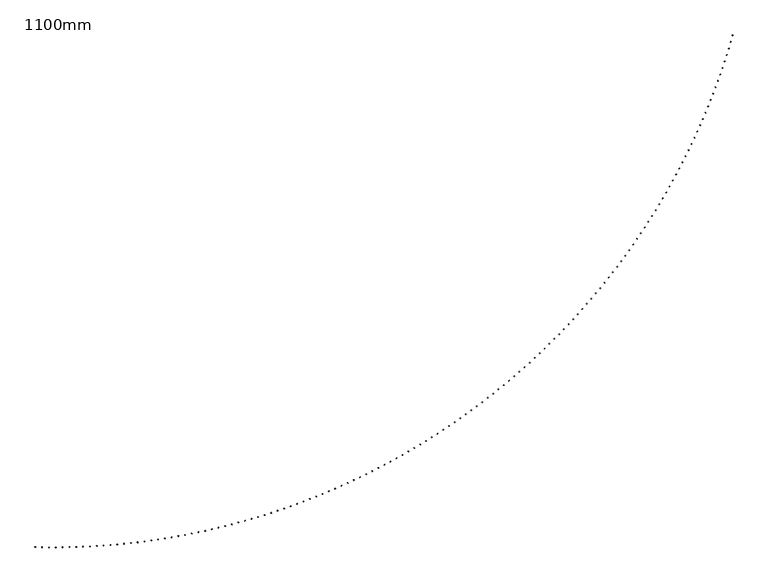
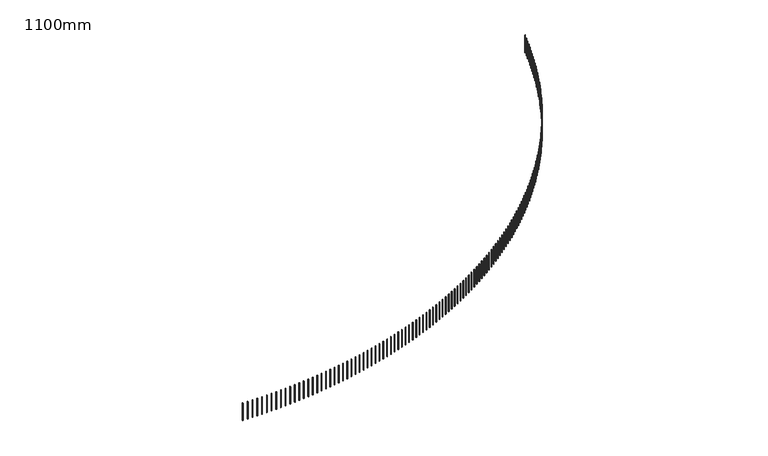
"""IFC4 building model written with IfcOpenShell, lengths in millimetres: railing geometry, 1100mm."""

from ifc_helpers import new_model, si_unit, frame, origin, place, context, project, spatial, polyline, outline, extrude, source, transform, mapped, element, save


def railing_1100mm_04dcf451(model_context):
    return source(origin(), model_context, "Body", "SweptSolid", [
        extrude(outline(polyline([(-9836.1976261, -82547.4690723), (-9836.8242033, -82572.4612191), (-9861.8163501, -82571.8346419), (-9861.1897729, -82546.8424951), (-9836.1976261, -82547.4690723)])), frame((0.0, 0.0, 31000.0), z_axis=(0.0, 0.0, 1.0), x_axis=(1.0, 0.0, 0.0)), (0.0, 0.0, 1.0), 1050.0),
        extrude(outline(polyline([(-9561.373458, -82552.9075616), (-9561.7581259, -82577.9046021), (-9586.7551663, -82577.5199342), (-9586.3704985, -82552.5228938), (-9561.373458, -82552.9075616)])), frame((0.0, 0.0, 31000.0), z_axis=(0.0, 0.0, 1.0), x_axis=(1.0, 0.0, 0.0)), (0.0, 0.0, 1.0), 1050.0),
        extrude(outline(polyline([(-9286.5095264, -82555.6859823), (-9286.6522489, -82580.6855749), (-9311.6518415, -82580.5428524), (-9311.509119, -82555.5432598), (-9286.5095264, -82555.6859823)])), frame((0.0, 0.0, 31000.0), z_axis=(0.0, 0.0, 1.0), x_axis=(1.0, 0.0, 0.0)), (0.0, 0.0, 1.0), 1050.0),
        extrude(outline(polyline([(-9011.6315779, -82555.8040741), (-9011.5323416, -82580.8038771), (-9036.5321447, -82580.9031133), (-9036.6313809, -82555.9033103), (-9011.6315779, -82555.8040741)])), frame((0.0, 0.0, 31000.0), z_axis=(0.0, 0.0, 1.0), x_axis=(1.0, 0.0, 0.0)), (0.0, 0.0, 1.0), 1050.0),
        extrude(outline(polyline([(-8736.7653604, -82553.2618258), (-8736.4241747, -82578.2594975), (-8761.4218465, -82578.6006832), (-8761.7630321, -82553.6030114), (-8736.7653604, -82553.2618258)])), frame((0.0, 0.0, 31000.0), z_axis=(0.0, 0.0, 1.0), x_axis=(1.0, 0.0, 0.0)), (0.0, 0.0, 1.0), 1050.0),
        extrude(outline(polyline([(-8461.9366208, -82548.0594757), (-8461.3535177, -82573.0526745), (-8486.3467166, -82573.6357777), (-8486.9298197, -82548.6425788), (-8461.9366208, -82548.0594757)])), frame((0.0, 0.0, 31000.0), z_axis=(0.0, 0.0, 1.0), x_axis=(1.0, 0.0, 0.0)), (0.0, 0.0, 1.0), 1050.0),
        extrude(outline(polyline([(-8187.1711025, -82540.197511), (-8186.3461366, -82565.1838959), (-8211.3325215, -82566.0088618), (-8212.1574874, -82541.0224769), (-8187.1711025, -82540.197511)])), frame((0.0, 0.0, 31000.0), z_axis=(0.0, 0.0, 1.0), x_axis=(1.0, 0.0, 0.0)), (0.0, 0.0, 1.0), 1050.0),
        extrude(outline(polyline([(-7912.4945429, -82529.6766681), (-7911.4277914, -82554.6538986), (-7936.4050218, -82555.7206501), (-7937.4717734, -82530.7434196), (-7912.4945429, -82529.6766681)])), frame((0.0, 0.0, 31000.0), z_axis=(0.0, 0.0, 1.0), x_axis=(1.0, 0.0, 0.0)), (0.0, 0.0, 1.0), 1050.0),
        extrude(outline(polyline([(-7637.9326711, -82516.4979327), (-7636.6242339, -82541.463669), (-7661.5899703, -82542.7721062), (-7662.8984074, -82517.8063698), (-7637.9326711, -82516.4979327)])), frame((0.0, 0.0, 31000.0), z_axis=(0.0, 0.0, 1.0), x_axis=(1.0, 0.0, 0.0)), (0.0, 0.0, 1.0), 1050.0),
        extrude(outline(polyline([(-7363.5112053, -82500.662539), (-7361.9612051, -82525.6144427), (-7386.9131088, -82527.164443), (-7388.4631091, -82502.2125392), (-7363.5112053, -82500.662539)])), frame((0.0, 0.0, 31000.0), z_axis=(0.0, 0.0, 1.0), x_axis=(1.0, 0.0, 0.0)), (0.0, 0.0, 1.0), 1050.0),
        extrude(outline(polyline([(-7089.255851, -82482.1719705), (-7087.4644328, -82507.1077043), (-7112.4001666, -82508.8991224), (-7114.1915848, -82483.9633886), (-7089.255851, -82482.1719705)])), frame((0.0, 0.0, 31000.0), z_axis=(0.0, 0.0, 1.0), x_axis=(1.0, 0.0, 0.0)), (0.0, 0.0, 1.0), 1050.0),
        extrude(outline(polyline([(-6815.1922975, -82461.0279591), (-6813.1596293, -82485.9451873), (-6838.0768575, -82487.9778555), (-6840.1095257, -82463.0606273), (-6815.1922975, -82461.0279591)])), frame((0.0, 0.0, 31000.0), z_axis=(0.0, 0.0, 1.0), x_axis=(1.0, 0.0, 0.0)), (0.0, 0.0, 1.0), 1050.0),
        extrude(outline(polyline([(-6541.3462167, -82437.2324855), (-6539.0724888, -82462.128874), (-6563.9688773, -82464.4026019), (-6566.2426052, -82439.5062134), (-6541.3462167, -82437.2324855)])), frame((0.0, 0.0, 31000.0), z_axis=(0.0, 0.0, 1.0), x_axis=(1.0, 0.0, 0.0)), (0.0, 0.0, 1.0), 1050.0),
        extrude(outline(polyline([(-6267.7432598, -82410.7877785), (-6265.2286852, -82435.6609953), (-6290.101902, -82438.1755699), (-6292.6164767, -82413.3023531), (-6267.7432598, -82410.7877785)])), frame((0.0, 0.0, 31000.0), z_axis=(0.0, 0.0, 1.0), x_axis=(1.0, 0.0, 0.0)), (0.0, 0.0, 1.0), 1050.0),
        extrude(outline(polyline([(-5994.4090554, -82381.6963152), (-5991.6538696, -82406.5440305), (-6016.5015849, -82409.2992162), (-6019.2567706, -82384.451501), (-5994.4090554, -82381.6963152)])), frame((0.0, 0.0, 31000.0), z_axis=(0.0, 0.0, 1.0), x_axis=(1.0, 0.0, 0.0)), (0.0, 0.0, 1.0), 1050.0),
        extrude(outline(polyline([(-5721.3692068, -82349.9608208), (-5718.3736679, -82374.7807069), (-5743.1935541, -82377.7762457), (-5746.1890929, -82352.9563596), (-5721.3692068, -82349.9608208)])), frame((0.0, 0.0, 31000.0), z_axis=(0.0, 0.0, 1.0), x_axis=(1.0, 0.0, 0.0)), (0.0, 0.0, 1.0), 1050.0),
        extrude(outline(polyline([(-5448.6492898, -82315.5842677), (-5445.4136784, -82340.3739998), (-5470.2034106, -82343.6096112), (-5473.4390219, -82318.8198791), (-5448.6492898, -82315.5842677)])), frame((0.0, 0.0, 31000.0), z_axis=(0.0, 0.0, 1.0), x_axis=(1.0, 0.0, 0.0)), (0.0, 0.0, 1.0), 1050.0),
        extrude(outline(polyline([(-5176.2748502, -82278.5698762), (-5172.7994694, -82303.3271322), (-5197.5567255, -82306.802513), (-5201.0321063, -82282.0452569), (-5176.2748502, -82278.5698762)])), frame((0.0, 0.0, 31000.0), z_axis=(0.0, 0.0, 1.0), x_axis=(1.0, 0.0, 0.0)), (0.0, 0.0, 1.0), 1050.0),
        extrude(outline(polyline([(-4904.2714014, -82238.9211133), (-4900.5565768, -82263.6435743), (-4925.2790378, -82267.3583989), (-4928.9938624, -82242.6359379), (-4904.2714014, -82238.9211133)])), frame((0.0, 0.0, 31000.0), z_axis=(0.0, 0.0, 1.0), x_axis=(1.0, 0.0, 0.0)), (0.0, 0.0, 1.0), 1050.0),
        extrude(outline(polyline([(-4632.6644222, -82196.641693), (-4628.7105017, -82221.3270431), (-4653.3958518, -82225.2809637), (-4657.3497724, -82200.5956135), (-4632.6644222, -82196.641693)])), frame((0.0, 0.0, 31000.0), z_axis=(0.0, 0.0, 1.0), x_axis=(1.0, 0.0, 0.0)), (0.0, 0.0, 1.0), 1050.0),
        extrude(outline(polyline([(-4361.4793541, -82151.7355756), (-4357.286708, -82176.3815026), (-4381.9326351, -82180.5741487), (-4386.1252811, -82155.9282217), (-4361.4793541, -82151.7355756)])), frame((0.0, 0.0, 31000.0), z_axis=(0.0, 0.0, 1.0), x_axis=(1.0, 0.0, 0.0)), (0.0, 0.0, 1.0), 1050.0),
        extrude(outline(polyline([(-4090.7415992, -82104.2069675), (-4086.3106203, -82128.8111628), (-4110.9148156, -82133.2421417), (-4115.3457945, -82108.6379464), (-4090.7415992, -82104.2069675)])), frame((0.0, 0.0, 31000.0), z_axis=(0.0, 0.0, 1.0), x_axis=(1.0, 0.0, 0.0)), (0.0, 0.0, 1.0), 1050.0),
        extrude(outline(polyline([(-3820.4765175, -82054.0603207), (-3815.8076209, -82078.6204796), (-3840.3677798, -82083.2893763), (-3845.0366764, -82058.7292174), (-3820.4765175, -82054.0603207)])), frame((0.0, 0.0, 31000.0), z_axis=(0.0, 0.0, 1.0), x_axis=(1.0, 0.0, 0.0)), (0.0, 0.0, 1.0), 1050.0),
        extrude(outline(polyline([(-3550.709425, -82001.3003326), (-3545.803048, -82025.8141545), (-3570.3168699, -82030.7205315), (-3575.2232469, -82006.2067096), (-3550.709425, -82001.3003326)])), frame((0.0, 0.0, 31000.0), z_axis=(0.0, 0.0, 1.0), x_axis=(1.0, 0.0, 0.0)), (0.0, 0.0, 1.0), 1050.0),
        extrude(outline(polyline([(-3281.465591, -81945.931945), (-3276.3221931, -81970.3971337), (-3300.7873818, -81975.5405316), (-3305.9307796, -81951.0753429), (-3281.465591, -81945.931945)])), frame((0.0, 0.0, 31000.0), z_axis=(0.0, 0.0, 1.0), x_axis=(1.0, 0.0, 0.0)), (0.0, 0.0, 1.0), 1050.0),
        extrude(outline(polyline([(-3012.7702354, -81887.9603445), (-3007.3902985, -81912.3746083), (-3031.8045623, -81917.7545453), (-3037.1844993, -81893.3402814), (-3012.7702354, -81887.9603445)])), frame((0.0, 0.0, 31000.0), z_axis=(0.0, 0.0, 1.0), x_axis=(1.0, 0.0, 0.0)), (0.0, 0.0, 1.0), 1050.0),
        extrude(outline(polyline([(-2744.6485274, -81827.3909612), (-2739.0325553, -81851.7520133), (-2763.3936074, -81857.3679854), (-2769.0095794, -81833.0069333), (-2744.6485274, -81827.3909612)])), frame((0.0, 0.0, 31000.0), z_axis=(0.0, 0.0, 1.0), x_axis=(1.0, 0.0, 0.0)), (0.0, 0.0, 1.0), 1050.0),
        extrude(outline(polyline([(-2477.1255818, -81764.2294688), (-2471.2741007, -81788.5350272), (-2495.5796591, -81794.3865083), (-2501.4311402, -81770.0809499), (-2477.1255818, -81764.2294688)])), frame((0.0, 0.0, 31000.0), z_axis=(0.0, 0.0, 1.0), x_axis=(1.0, 0.0, 0.0)), (0.0, 0.0, 1.0), 1050.0),
        extrude(outline(polyline([(-2210.2264577, -81698.4817835), (-2204.1400157, -81722.7295715), (-2228.3878037, -81728.8160136), (-2234.4742457, -81704.5682256), (-2210.2264577, -81698.4817835)])), frame((0.0, 0.0, 31000.0), z_axis=(0.0, 0.0, 1.0), x_axis=(1.0, 0.0, 0.0)), (0.0, 0.0, 1.0), 1050.0),
        extrude(outline(polyline([(-1943.9761558, -81630.1540641), (-1937.6553229, -81654.3418104), (-1961.8430692, -81660.6626433), (-1968.1639021, -81636.474897), (-1943.9761558, -81630.1540641)])), frame((0.0, 0.0, 31000.0), z_axis=(0.0, 0.0, 1.0), x_axis=(1.0, 0.0, 0.0)), (0.0, 0.0, 1.0), 1050.0),
        extrude(outline(polyline([(-1678.3996157, -81559.2527107), (-1671.8449841, -81583.3781497), (-1695.970423, -81589.9327813), (-1702.5250546, -81565.8073424), (-1678.3996157, -81559.2527107)])), frame((0.0, 0.0, 31000.0), z_axis=(0.0, 0.0, 1.0), x_axis=(1.0, 0.0, 0.0)), (0.0, 0.0, 1.0), 1050.0),
        extrude(outline(polyline([(-1413.5217142, -81485.7843648), (-1406.7338978, -81509.8452366), (-1430.7947695, -81516.633053), (-1437.582586, -81492.5721812), (-1413.5217142, -81485.7843648)])), frame((0.0, 0.0, 31000.0), z_axis=(0.0, 0.0, 1.0), x_axis=(1.0, 0.0, 0.0)), (0.0, 0.0, 1.0), 1050.0),
        extrude(outline(polyline([(-1149.3672626, -81409.7559082), (-1142.3468972, -81433.7499589), (-1166.3409479, -81440.7703243), (-1173.3613133, -81416.7762736), (-1149.3672626, -81409.7559082)])), frame((0.0, 0.0, 31000.0), z_axis=(0.0, 0.0, 1.0), x_axis=(1.0, 0.0, 0.0)), (0.0, 0.0, 1.0), 1050.0),
        extrude(outline(polyline([(-885.9610043, -81331.1744625), (-878.7087475, -81355.0994447), (-902.6337297, -81362.3517014), (-909.8859864, -81338.4267192), (-885.9610043, -81331.1744625)])), frame((0.0, 0.0, 31000.0), z_axis=(0.0, 0.0, 1.0), x_axis=(1.0, 0.0, 0.0)), (0.0, 0.0, 1.0), 1050.0),
        extrude(outline(polyline([(-623.3276126, -81250.0473885), (-615.8441439, -81273.901061), (-639.6978165, -81281.3845298), (-647.1812852, -81257.5308572), (-623.3276126, -81250.0473885)])), frame((0.0, 0.0, 31000.0), z_axis=(0.0, 0.0, 1.0), x_axis=(1.0, 0.0, 0.0)), (0.0, 0.0, 1.0), 1050.0),
        extrude(outline(polyline([(-361.4916887, -81166.3822853), (-353.7777089, -81190.1624139), (-377.5578375, -81197.8763937), (-385.2718173, -81174.0962651), (-361.4916887, -81166.3822853)])), frame((0.0, 0.0, 31000.0), z_axis=(0.0, 0.0, 1.0), x_axis=(1.0, 0.0, 0.0)), (0.0, 0.0, 1.0), 1050.0),
        extrude(outline(polyline([(-100.4777588, -81080.18699), (-92.5339905, -81103.8913471), (-116.2383476, -81111.8351154), (-124.1821159, -81088.1307583), (-100.4777588, -81080.18699)])), frame((0.0, 0.0, 31000.0), z_axis=(0.0, 0.0, 1.0), x_axis=(1.0, 0.0, 0.0)), (0.0, 0.0, 1.0), 1050.0),
        extrude(outline(polyline([(159.6897277, -80991.4695764), (167.8625404, -81015.0959416), (144.2361752, -81023.2687543), (136.0633625, -80999.6423891), (159.6897277, -80991.4695764)])), frame((0.0, 0.0, 31000.0), z_axis=(0.0, 0.0, 1.0), x_axis=(1.0, 0.0, 0.0)), (0.0, 0.0, 1.0), 1050.0),
        extrude(outline(polyline([(418.986401, -80900.2383549), (427.3874925, -80923.7845151), (403.8413323, -80932.1856066), (395.4402408, -80908.6394464), (418.986401, -80900.2383549)])), frame((0.0, 0.0, 31000.0), z_axis=(0.0, 0.0, 1.0), x_axis=(1.0, 0.0, 0.0)), (0.0, 0.0, 1.0), 1050.0),
        extrude(outline(polyline([(677.3879724, -80806.501871), (686.0165559, -80829.9656207), (662.5528062, -80838.5942041), (653.9242228, -80815.1304544), (677.3879724, -80806.501871)])), frame((0.0, 0.0, 31000.0), z_axis=(0.0, 0.0, 1.0), x_axis=(1.0, 0.0, 0.0)), (0.0, 0.0, 1.0), 1050.0),
        extrude(outline(polyline([(934.8702375, -80710.2689051), (943.7255046, -80733.6480464), (920.3463633, -80742.5033135), (911.4910963, -80719.1241722), (934.8702375, -80710.2689051)])), frame((0.0, 0.0, 31000.0), z_axis=(0.0, 0.0, 1.0), x_axis=(1.0, 0.0, 0.0)), (0.0, 0.0, 1.0), 1050.0),
        extrude(outline(polyline([(1191.4090777, -80611.5484715), (1200.4901989, -80634.8408144), (1177.197856, -80643.9219356), (1168.1167348, -80620.6295927), (1191.4090777, -80611.5484715)])), frame((0.0, 0.0, 31000.0), z_axis=(0.0, 0.0, 1.0), x_axis=(1.0, 0.0, 0.0)), (0.0, 0.0, 1.0), 1050.0),
        extrude(outline(polyline([(1446.9804628, -80510.3498172), (1456.2865876, -80533.5531799), (1433.0832249, -80542.8593047), (1423.7771001, -80519.655942), (1446.9804628, -80510.3498172)])), frame((0.0, 0.0, 31000.0), z_axis=(0.0, 0.0, 1.0), x_axis=(1.0, 0.0, 0.0)), (0.0, 0.0, 1.0), 1050.0),
        extrude(outline(polyline([(1701.5604535, -80406.6824217), (1711.0907101, -80429.7946308), (1687.978501, -80439.3248874), (1678.4482444, -80416.2126783), (1701.5604535, -80406.6824217)])), frame((0.0, 0.0, 31000.0), z_axis=(0.0, 0.0, 1.0), x_axis=(1.0, 0.0, 0.0)), (0.0, 0.0, 1.0), 1050.0),
        extrude(outline(polyline([(1955.125203, -80300.5559955), (1964.8786987, -80323.574886), (1941.8598082, -80333.3283817), (1932.1063125, -80310.3094912), (1955.125203, -80300.5559955)])), frame((0.0, 0.0, 31000.0), z_axis=(0.0, 0.0, 1.0), x_axis=(1.0, 0.0, 0.0)), (0.0, 0.0, 1.0), 1050.0),
        extrude(outline(polyline([(2207.6509598, -80191.9804794), (2217.6267811, -80214.9038952), (2194.7033653, -80224.8797165), (2184.7275441, -80201.9563007), (2207.6509598, -80191.9804794)])), frame((0.0, 0.0, 31000.0), z_axis=(0.0, 0.0, 1.0), x_axis=(1.0, 0.0, 0.0)), (0.0, 0.0, 1.0), 1050.0),
        extrude(outline(polyline([(2459.1140697, -80080.966044), (2469.3112821, -80103.7918377), (2446.4854883, -80113.9890501), (2436.288276, -80091.1632563), (2459.1140697, -80080.966044)])), frame((0.0, 0.0, 31000.0), z_axis=(0.0, 0.0, 1.0), x_axis=(1.0, 0.0, 0.0)), (0.0, 0.0, 1.0), 1050.0),
        extrude(outline(polyline([(2709.4909781, -79967.5230878), (2719.9086263, -79990.2491214), (2697.1825927, -80000.6667697), (2686.7649444, -79977.940736), (2709.4909781, -79967.5230878)])), frame((0.0, 0.0, 31000.0), z_axis=(0.0, 0.0, 1.0), x_axis=(1.0, 0.0, 0.0)), (0.0, 0.0, 1.0), 1050.0),
        extrude(outline(polyline([(2958.7582319, -79851.6622372), (2969.3953402, -79874.286382), (2946.7711955, -79884.9234903), (2936.1340872, -79862.2993455), (2958.7582319, -79851.6622372)])), frame((0.0, 0.0, 31000.0), z_axis=(0.0, 0.0, 1.0), x_axis=(1.0, 0.0, 0.0)), (0.0, 0.0, 1.0), 1050.0),
        extrude(outline(polyline([(3206.8924823, -79733.394345), (3217.7480543, -79755.9144816), (3195.2279176, -79766.7700536), (3184.3723456, -79744.249917), (3206.8924823, -79733.394345)])), frame((0.0, 0.0, 31000.0), z_axis=(0.0, 0.0, 1.0), x_axis=(1.0, 0.0, 0.0)), (0.0, 0.0, 1.0), 1050.0),
        extrude(outline(polyline([(3453.8704863, -79612.7304892), (3464.9435051, -79635.1445084), (3442.529486, -79646.2175272), (3431.4564671, -79623.8035081), (3453.8704863, -79612.7304892)])), frame((0.0, 0.0, 31000.0), z_axis=(0.0, 0.0, 1.0), x_axis=(1.0, 0.0, 0.0)), (0.0, 0.0, 1.0), 1050.0),
        extrude(outline(polyline([(3699.6691094, -79489.6819727), (3710.9585378, -79511.9877747), (3688.6527358, -79523.2772032), (3677.3633073, -79500.9714011), (3699.6691094, -79489.6819727)])), frame((0.0, 0.0, 31000.0), z_axis=(0.0, 0.0, 1.0), x_axis=(1.0, 0.0, 0.0)), (0.0, 0.0, 1.0), 1050.0),
        extrude(outline(polyline([(3944.2653275, -79364.2603213), (3955.7701081, -79386.4558169), (3933.5746125, -79397.9605975), (3922.0698319, -79375.7651019), (3944.2653275, -79364.2603213)])), frame((0.0, 0.0, 31000.0), z_axis=(0.0, 0.0, 1.0), x_axis=(1.0, 0.0, 0.0)), (0.0, 0.0, 1.0), 1050.0),
        extrude(outline(polyline([(4187.6362291, -79236.4772835), (4199.3552842, -79258.5603935), (4177.2721742, -79270.2794486), (4165.5531191, -79248.1963386), (4187.6362291, -79236.4772835)])), frame((0.0, 0.0, 31000.0), z_axis=(0.0, 0.0, 1.0), x_axis=(1.0, 0.0, 0.0)), (0.0, 0.0, 1.0), 1050.0),
        extrude(outline(polyline([(4429.7590177, -79106.3448286), (4441.6912495, -79128.3134846), (4419.7225936, -79140.2457164), (4407.7903618, -79118.2770605), (4429.7590177, -79106.3448286)])), frame((0.0, 0.0, 31000.0), z_axis=(0.0, 0.0, 1.0), x_axis=(1.0, 0.0, 0.0)), (0.0, 0.0, 1.0), 1050.0),
        extrude(outline(polyline([(4670.6110134, -78973.8751464), (4682.7553042, -78995.7272904), (4660.9031602, -79007.8715813), (4648.7588693, -78986.0194373), (4670.6110134, -78973.8751464)])), frame((0.0, 0.0, 31000.0), z_axis=(0.0, 0.0, 1.0), x_axis=(1.0, 0.0, 0.0)), (0.0, 0.0, 1.0), 1050.0),
        extrude(outline(polyline([(4910.1696554, -78839.0806452), (4922.5248678, -78860.8142304), (4900.7912826, -78873.1694428), (4888.4360702, -78851.4358576), (4910.1696554, -78839.0806452)])), frame((0.0, 0.0, 31000.0), z_axis=(0.0, 0.0, 1.0), x_axis=(1.0, 0.0, 0.0)), (0.0, 0.0, 1.0), 1050.0),
        extrude(outline(polyline([(5148.4125043, -78701.9739514), (5160.9774809, -78723.586942), (5139.3644902, -78736.1519186), (5126.7995137, -78714.5389279), (5148.4125043, -78701.9739514)])), frame((0.0, 0.0, 31000.0), z_axis=(0.0, 0.0, 1.0), x_axis=(1.0, 0.0, 0.0)), (0.0, 0.0, 1.0), 1050.0),
        extrude(outline(polyline([(5385.3172437, -78562.5679077), (5398.0908074, -78584.0582793), (5376.6004359, -78596.831843), (5363.8268721, -78575.3414715), (5385.3172437, -78562.5679077)])), frame((0.0, 0.0, 31000.0), z_axis=(0.0, 0.0, 1.0), x_axis=(1.0, 0.0, 0.0)), (0.0, 0.0, 1.0), 1050.0),
        extrude(outline(polyline([(5620.8616826, -78420.8755725), (5633.842637, -78442.241312), (5612.4768976, -78455.2222664), (5599.4959431, -78433.856527), (5620.8616826, -78420.8755725)])), frame((0.0, 0.0, 31000.0), z_axis=(0.0, 0.0, 1.0), x_axis=(1.0, 0.0, 0.0)), (0.0, 0.0, 1.0), 1050.0),
        extrude(outline(polyline([(5855.0237574, -78276.9102182), (5868.2108866, -78298.1493241), (5846.9717806, -78311.3364534), (5833.7846514, -78290.0973474), (5855.0237574, -78276.9102182)])), frame((0.0, 0.0, 31000.0), z_axis=(0.0, 0.0, 1.0), x_axis=(1.0, 0.0, 0.0)), (0.0, 0.0, 1.0), 1050.0),
        extrude(outline(polyline([(6087.781534, -78130.6853299), (6101.1736028, -78151.795813), (6080.0631197, -78165.1878817), (6066.671051, -78144.0773987), (6087.781534, -78130.6853299)])), frame((0.0, 0.0, 31000.0), z_axis=(0.0, 0.0, 1.0), x_axis=(1.0, 0.0, 0.0)), (0.0, 0.0, 1.0), 1050.0),
        extrude(outline(polyline([(6319.11321, -77982.2146048), (6332.7089638, -78003.1944875), (6311.7290811, -78016.7902413), (6298.1333273, -77995.8103586), (6319.11321, -77982.2146048)])), frame((0.0, 0.0, 31000.0), z_axis=(0.0, 0.0, 1.0), x_axis=(1.0, 0.0, 0.0)), (0.0, 0.0, 1.0), 1050.0),
        extrude(outline(polyline([(6548.9971164, -77831.5119501), (6562.7952817, -77852.3592672), (6541.9479646, -77866.1574326), (6528.1497992, -77845.3101155), (6548.9971164, -77831.5119501)])), frame((0.0, 0.0, 31000.0), z_axis=(0.0, 0.0, 1.0), x_axis=(1.0, 0.0, 0.0)), (0.0, 0.0, 1.0), 1050.0),
        extrude(outline(polyline([(6777.4117197, -77678.5914822), (6791.4110042, -77699.304281), (6770.6982054, -77713.3035655), (6756.6989209, -77692.5907666), (6777.4117197, -77678.5914822)])), frame((0.0, 0.0, 31000.0), z_axis=(0.0, 0.0, 1.0), x_axis=(1.0, 0.0, 0.0)), (0.0, 0.0, 1.0), 1050.0),
        extrude(outline(polyline([(7004.3356244, -77523.4675252), (7018.5347166, -77544.0438655), (6997.9583763, -77558.2429578), (6983.7592841, -77537.6666174), (7004.3356244, -77523.4675252)])), frame((0.0, 0.0, 31000.0), z_axis=(0.0, 0.0, 1.0), x_axis=(1.0, 0.0, 0.0)), (0.0, 0.0, 1.0), 1050.0),
        extrude(outline(polyline([(7229.7475744, -77366.1546098), (7244.1451443, -77386.5925642), (7223.7071899, -77400.9901341), (7209.30962, -77380.5521797), (7229.7475744, -77366.1546098)])), frame((0.0, 0.0, 31000.0), z_axis=(0.0, 0.0, 1.0), x_axis=(1.0, 0.0, 0.0)), (0.0, 0.0, 1.0), 1050.0),
        extrude(outline(polyline([(7453.6264551, -77206.6674714), (7468.2211541, -77226.9651255), (7447.9235, -77241.5598245), (7433.328801, -77221.2621704), (7453.6264551, -77206.6674714)])), frame((0.0, 0.0, 31000.0), z_axis=(0.0, 0.0, 1.0), x_axis=(1.0, 0.0, 0.0)), (0.0, 0.0, 1.0), 1050.0),
        extrude(outline(polyline([(7675.9512957, -77045.0210493), (7690.7417567, -77065.1765018), (7670.5863043, -77079.9669628), (7655.7958433, -77059.8115103), (7675.9512957, -77045.0210493)])), frame((0.0, 0.0, 31000.0), z_axis=(0.0, 0.0, 1.0), x_axis=(1.0, 0.0, 0.0)), (0.0, 0.0, 1.0), 1050.0),
        extrude(outline(polyline([(7896.701271, -76881.2304851), (7911.6861086, -76901.2418479), (7891.6747458, -76916.2266855), (7876.6899082, -76896.2153227), (7896.701271, -76881.2304851)])), frame((0.0, 0.0, 31000.0), z_axis=(0.0, 0.0, 1.0), x_axis=(1.0, 0.0, 0.0)), (0.0, 0.0, 1.0), 1050.0),
        extrude(outline(polyline([(8115.8557032, -76715.311121), (8131.0335137, -76735.1765197), (8111.168115, -76750.3543302), (8095.9903045, -76730.4889315), (8115.8557032, -76715.311121)])), frame((0.0, 0.0, 31000.0), z_axis=(0.0, 0.0, 1.0), x_axis=(1.0, 0.0, 0.0)), (0.0, 0.0, 1.0), 1050.0),
        extrude(outline(polyline([(8333.394064, -76547.2784988), (8348.7634258, -76566.9960726), (8329.0458519, -76582.3654344), (8313.6764901, -76562.6478605), (8333.394064, -76547.2784988)])), frame((0.0, 0.0, 31000.0), z_axis=(0.0, 0.0, 1.0), x_axis=(1.0, 0.0, 0.0)), (0.0, 0.0, 1.0), 1050.0),
        extrude(outline(polyline([(8549.2959765, -76377.1483582), (8564.8554498, -76396.7162602), (8545.2875477, -76412.2757335), (8529.7280744, -76392.7078315), (8549.2959765, -76377.1483582)])), frame((0.0, 0.0, 31000.0), z_axis=(0.0, 0.0, 1.0), x_axis=(1.0, 0.0, 0.0)), (0.0, 0.0, 1.0), 1050.0),
        extrude(outline(polyline([(8763.541217, -76204.9366354), (8779.2893444, -76224.3530327), (8759.8729471, -76240.1011601), (8744.1248197, -76220.6847628), (8763.541217, -76204.9366354)])), frame((0.0, 0.0, 31000.0), z_axis=(0.0, 0.0, 1.0), x_axis=(1.0, 0.0, 0.0)), (0.0, 0.0, 1.0), 1050.0),
        extrude(outline(polyline([(8976.109717, -76030.6594615), (8992.0450234, -76049.9225353), (8972.7819496, -76065.8578417), (8956.8466432, -76046.5947679), (8976.109717, -76030.6594615)])), frame((0.0, 0.0, 31000.0), z_axis=(0.0, 0.0, 1.0), x_axis=(1.0, 0.0, 0.0)), (0.0, 0.0, 1.0), 1050.0),
        extrude(outline(polyline([(9186.9815652, -75854.3331613), (9203.1025579, -75873.4411071), (9183.994612, -75889.5620998), (9167.8736193, -75870.4541539), (9186.9815652, -75854.3331613)])), frame((0.0, 0.0, 31000.0), z_axis=(0.0, 0.0, 1.0), x_axis=(1.0, 0.0, 0.0)), (0.0, 0.0, 1.0), 1050.0),
        extrude(outline(polyline([(9396.1370091, -75675.9742511), (9412.442178, -75694.9252792), (9393.4911499, -75711.2304482), (9377.185981, -75692.27942), (9396.1370091, -75675.9742511)])), frame((0.0, 0.0, 31000.0), z_axis=(0.0, 0.0, 1.0), x_axis=(1.0, 0.0, 0.0)), (0.0, 0.0, 1.0), 1050.0),
        extrude(outline(polyline([(9603.556457, -75495.5994381), (9620.0442748, -75514.3917733), (9601.2519396, -75530.8795912), (9584.7641218, -75512.0872559), (9603.556457, -75495.5994381)])), frame((0.0, 0.0, 31000.0), z_axis=(0.0, 0.0, 1.0), x_axis=(1.0, 0.0, 0.0)), (0.0, 0.0, 1.0), 1050.0),
        extrude(outline(polyline([(9809.2204798, -75313.225618), (9825.8894022, -75331.8575), (9807.2575201, -75348.5264224), (9790.5885978, -75329.8945403), (9809.2204798, -75313.225618)])), frame((0.0, 0.0, 31000.0), z_axis=(0.0, 0.0, 1.0), x_axis=(1.0, 0.0, 0.0)), (0.0, 0.0, 1.0), 1050.0),
        extrude(outline(polyline([(10013.1098129, -75128.8698739), (10029.9582783, -75147.3395575), (10011.4885947, -75164.1880229), (9994.6401293, -75145.7183393), (10013.1098129, -75128.8698739)])), frame((0.0, 0.0, 31000.0), z_axis=(0.0, 0.0, 1.0), x_axis=(1.0, 0.0, 0.0)), (0.0, 0.0, 1.0), 1050.0),
        extrude(outline(polyline([(10215.2053578, -74942.5494744), (10232.2317882, -74960.8552295), (10213.9260331, -74977.8816598), (10196.8996027, -74959.5759048), (10215.2053578, -74942.5494744)])), frame((0.0, 0.0, 31000.0), z_axis=(0.0, 0.0, 1.0), x_axis=(1.0, 0.0, 0.0)), (0.0, 0.0, 1.0), 1050.0),
        extrude(outline(polyline([(10415.4881842, -74754.2818723), (10432.6909846, -74772.4219842), (10414.5508727, -74789.6247846), (10397.3480723, -74771.4846727), (10415.4881842, -74754.2818723)])), frame((0.0, 0.0, 31000.0), z_axis=(0.0, 0.0, 1.0), x_axis=(1.0, 0.0, 0.0)), (0.0, 0.0, 1.0), 1050.0),
        extrude(outline(polyline([(10613.9395314, -74564.0847027), (10631.3170904, -74582.0574722), (10613.344321, -74599.4350312), (10595.966762, -74581.4622617), (10613.9395314, -74564.0847027)])), frame((0.0, 0.0, 31000.0), z_axis=(0.0, 0.0, 1.0), x_axis=(1.0, 0.0, 0.0)), (0.0, 0.0, 1.0), 1050.0),
        extrude(outline(polyline([(10810.5408105, -74371.9757815), (10828.0915004, -74389.779525), (10810.2877568, -74407.3302149), (10792.7370669, -74389.5264714), (10810.5408105, -74371.9757815)])), frame((0.0, 0.0, 31000.0), z_axis=(0.0, 0.0, 1.0), x_axis=(1.0, 0.0, 0.0)), (0.0, 0.0, 1.0), 1050.0),
        extrude(outline(polyline([(11005.2736056, -74177.9731036), (11022.9957824, -74195.6061535), (11005.3627325, -74213.3283303), (10987.6405557, -74195.6952804), (11005.2736056, -74177.9731036)])), frame((0.0, 0.0, 31000.0), z_axis=(0.0, 0.0, 1.0), x_axis=(1.0, 0.0, 0.0)), (0.0, 0.0, 1.0), 1050.0),
        extrude(outline(polyline([(11198.1196761, -73982.0948413), (11216.0116798, -73999.5555459), (11198.5509751, -74017.4475496), (11180.6589715, -73999.986845), (11198.1196761, -73982.0948413)])), frame((0.0, 0.0, 31000.0), z_axis=(0.0, 0.0, 1.0), x_axis=(1.0, 0.0, 0.0)), (0.0, 0.0, 1.0), 1050.0),
        extrude(outline(polyline([(11389.060958, -73784.3593427), (11407.1211125, -73801.6460664), (11389.8343888, -73819.706221), (11371.7742342, -73802.4194972), (11389.060958, -73784.3593427)])), frame((0.0, 0.0, 31000.0), z_axis=(0.0, 0.0, 1.0), x_axis=(1.0, 0.0, 0.0)), (0.0, 0.0, 1.0), 1050.0),
        extrude(outline(polyline([(11578.0795657, -73584.7851297), (11596.3061794, -73601.8962533), (11579.1950558, -73620.1228671), (11560.968442, -73603.0117434), (11578.0795657, -73584.7851297)])), frame((0.0, 0.0, 31000.0), z_axis=(0.0, 0.0, 1.0), x_axis=(1.0, 0.0, 0.0)), (0.0, 0.0, 1.0), 1050.0),
        extrude(outline(polyline([(11765.1577937, -73383.3908966), (11783.5491593, -73400.3248173), (11766.6152386, -73418.7161829), (11748.223873, -73401.7822622), (11765.1577937, -73383.3908966)])), frame((0.0, 0.0, 31000.0), z_axis=(0.0, 0.0, 1.0), x_axis=(1.0, 0.0, 0.0)), (0.0, 0.0, 1.0), 1050.0),
        extrude(outline(polyline([(11950.2781183, -73180.195508), (11968.8325131, -73196.9506396), (11952.0773816, -73215.5050344), (11933.5229868, -73198.7499028), (11950.2781183, -73180.195508)])), frame((0.0, 0.0, 31000.0), z_axis=(0.0, 0.0, 1.0), x_axis=(1.0, 0.0, 0.0)), (0.0, 0.0, 1.0), 1050.0),
        extrude(outline(polyline([(12133.4231993, -72975.2179974), (12152.1388853, -72991.7927703), (12135.5641123, -73010.5084563), (12116.8484263, -72993.9336833), (12133.4231993, -72975.2179974)])), frame((0.0, 0.0, 31000.0), z_axis=(0.0, 0.0, 1.0), x_axis=(1.0, 0.0, 0.0)), (0.0, 0.0, 1.0), 1050.0),
        extrude(outline(polyline([(12314.5758813, -72768.4775651), (12333.4511053, -72784.8704269), (12317.0582435, -72803.7456509), (12298.1830195, -72787.3527891), (12314.5758813, -72768.4775651)])), frame((0.0, 0.0, 31000.0), z_axis=(0.0, 0.0, 1.0), x_axis=(1.0, 0.0, 0.0)), (0.0, 0.0, 1.0), 1050.0),
        extrude(outline(polyline([(12493.7191956, -72559.9935766), (12512.7521897, -72576.2029917), (12496.5427745, -72595.2359857), (12477.5097805, -72579.0265706), (12493.7191956, -72559.9935766)])), frame((0.0, 0.0, 31000.0), z_axis=(0.0, 0.0, 1.0), x_axis=(1.0, 0.0, 0.0)), (0.0, 0.0, 1.0), 1050.0),
        extrude(outline(polyline([(12670.8363619, -72349.7855607), (12690.0253431, -72365.8100107), (12674.000893, -72384.9989919), (12654.8119118, -72368.9745419), (12670.8363619, -72349.7855607)])), frame((0.0, 0.0, 31000.0), z_axis=(0.0, 0.0, 1.0), x_axis=(1.0, 0.0, 0.0)), (0.0, 0.0, 1.0), 1050.0),
        extrude(outline(polyline([(12845.9107894, -72137.8732076), (12865.2539604, -72153.7111917), (12849.4159763, -72173.0543626), (12830.0728054, -72157.2163786), (12845.9107894, -72137.8732076)])), frame((0.0, 0.0, 31000.0), z_axis=(0.0, 0.0, 1.0), x_axis=(1.0, 0.0, 0.0)), (0.0, 0.0, 1.0), 1050.0),
        extrude(outline(polyline([(13018.9260789, -71924.2763674), (13038.4216277, -71939.9264018), (13022.7715933, -71959.4219506), (13003.2760445, -71943.7719162), (13018.9260789, -71924.2763674)])), frame((0.0, 0.0, 31000.0), z_axis=(0.0, 0.0, 1.0), x_axis=(1.0, 0.0, 0.0)), (0.0, 0.0, 1.0), 1050.0),
        extrude(outline(polyline([(13189.8660239, -71709.0150478), (13209.5121244, -71724.4756666), (13194.0515055, -71744.1217671), (13174.405405, -71728.6611483), (13189.8660239, -71709.0150478)])), frame((0.0, 0.0, 31000.0), z_axis=(0.0, 0.0, 1.0), x_axis=(1.0, 0.0, 0.0)), (0.0, 0.0, 1.0), 1050.0),
        extrude(outline(polyline([(13358.7146124, -71492.1094123), (13378.5094243, -71507.3791674), (13363.2396692, -71527.1739793), (13343.4448573, -71511.9042242), (13358.7146124, -71492.1094123)])), frame((0.0, 0.0, 31000.0), z_axis=(0.0, 0.0, 1.0), x_axis=(1.0, 0.0, 0.0)), (0.0, 0.0, 1.0), 1050.0),
        extrude(outline(polyline([(13525.4560282, -71273.5797787), (13545.3976974, -71288.6572397), (13530.3202364, -71308.5989088), (13510.3785672, -71293.5214478), (13525.4560282, -71273.5797787)])), frame((0.0, 0.0, 31000.0), z_axis=(0.0, 0.0, 1.0), x_axis=(1.0, 0.0, 0.0)), (0.0, 0.0, 1.0), 1050.0),
        extrude(outline(polyline([(13690.0746527, -71053.4466166), (13710.1613111, -71068.3303713), (13695.2775565, -71088.4170297), (13675.190898, -71073.5332751), (13690.0746527, -71053.4466166)])), frame((0.0, 0.0, 31000.0), z_axis=(0.0, 0.0, 1.0), x_axis=(1.0, 0.0, 0.0)), (0.0, 0.0, 1.0), 1050.0),
        extrude(outline(polyline([(13852.5550658, -70831.7305462), (13872.7848321, -70846.4192003), (13858.096178, -70866.6489665), (13837.8664118, -70851.9603125), (13852.5550658, -70831.7305462)])), frame((0.0, 0.0, 31000.0), z_axis=(0.0, 0.0, 1.0), x_axis=(1.0, 0.0, 0.0)), (0.0, 0.0, 1.0), 1050.0),
        extrude(outline(polyline([(14012.882048, -70608.4523357), (14033.2530271, -70622.9445133), (14018.7608495, -70643.3154923), (13998.3898705, -70628.8233148), (14012.882048, -70608.4523357)])), frame((0.0, 0.0, 31000.0), z_axis=(0.0, 0.0, 1.0), x_axis=(1.0, 0.0, 0.0)), (0.0, 0.0, 1.0), 1050.0),
        extrude(outline(polyline([(14171.0405814, -70383.6328996), (14191.5508652, -70397.9272432), (14177.2565216, -70418.437527), (14156.7462378, -70404.1431833), (14171.0405814, -70383.6328996)])), frame((0.0, 0.0, 31000.0), z_axis=(0.0, 0.0, 1.0), x_axis=(1.0, 0.0, 0.0)), (0.0, 0.0, 1.0), 1050.0),
        extrude(outline(polyline([(14327.0158512, -70157.2932968), (14347.6635184, -70171.3884676), (14333.5683477, -70192.0361348), (14312.9206805, -70177.9409641), (14327.0158512, -70157.2932968)])), frame((0.0, 0.0, 31000.0), z_axis=(0.0, 0.0, 1.0), x_axis=(1.0, 0.0, 0.0)), (0.0, 0.0, 1.0), 1050.0),
        extrude(outline(polyline([(14480.7932471, -69929.4547289), (14501.5763637, -69943.3494064), (14487.6816862, -69964.132523), (14466.8985696, -69950.2378455), (14480.7932471, -69929.4547289)])), frame((0.0, 0.0, 31000.0), z_axis=(0.0, 0.0, 1.0), x_axis=(1.0, 0.0, 0.0)), (0.0, 0.0, 1.0), 1050.0),
        extrude(outline(polyline([(14632.3583646, -69700.1385374), (14653.2749839, -69713.8314202), (14639.5821011, -69734.7480394), (14618.6654818, -69721.0551566), (14632.3583646, -69700.1385374)])), frame((0.0, 0.0, 31000.0), z_axis=(0.0, 0.0, 1.0), x_axis=(1.0, 0.0, 0.0)), (0.0, 0.0, 1.0), 1050.0),
        extrude(outline(polyline([(14781.6970067, -69469.3662026), (14802.7451693, -69482.856008), (14789.2553639, -69503.9041706), (14768.2072013, -69490.4143652), (14781.6970067, -69469.3662026)])), frame((0.0, 0.0, 31000.0), z_axis=(0.0, 0.0, 1.0), x_axis=(1.0, 0.0, 0.0)), (0.0, 0.0, 1.0), 1050.0),
        extrude(outline(polyline([(14928.7951847, -69237.1593409), (14949.972919, -69250.4448054), (14936.6874545, -69271.6225398), (14915.5097201, -69258.3370753), (14928.7951847, -69237.1593409)])), frame((0.0, 0.0, 31000.0), z_axis=(0.0, 0.0, 1.0), x_axis=(1.0, 0.0, 0.0)), (0.0, 0.0, 1.0), 1050.0),
        extrude(outline(polyline([(15073.6391197, -69003.5397035), (15094.9444421, -69016.6195826), (15081.864563, -69037.924905), (15060.5592406, -69024.8450259), (15073.6391197, -69003.5397035)])), frame((0.0, 0.0, 31000.0), z_axis=(0.0, 0.0, 1.0), x_axis=(1.0, 0.0, 0.0)), (0.0, 0.0, 1.0), 1050.0),
        extrude(outline(polyline([(15216.2152443, -68768.5291734), (15237.6461591, -68781.4022419), (15224.7730906, -68802.8331567), (15203.3421758, -68789.9600882), (15216.2152443, -68768.5291734)])), frame((0.0, 0.0, 31000.0), z_axis=(0.0, 0.0, 1.0), x_axis=(1.0, 0.0, 0.0)), (0.0, 0.0, 1.0), 1050.0),
        extrude(outline(polyline([(15356.5102032, -68532.1497643), (15378.0647029, -68544.8148164), (15365.3996508, -68566.3693161), (15343.8451512, -68553.704264), (15356.5102032, -68532.1497643)])), frame((0.0, 0.0, 31000.0), z_axis=(0.0, 0.0, 1.0), x_axis=(1.0, 0.0, 0.0)), (0.0, 0.0, 1.0), 1050.0),
        extrude(outline(polyline([(15494.510855, -68294.423618), (15516.1869206, -68306.8794673), (15503.7310713, -68328.5555329), (15482.0550057, -68316.0996836), (15494.510855, -68294.423618)])), frame((0.0, 0.0, 31000.0), z_axis=(0.0, 0.0, 1.0), x_axis=(1.0, 0.0, 0.0)), (0.0, 0.0, 1.0), 1050.0),
        extrude(outline(polyline([(15630.204273, -68055.3730024), (15651.9998741, -68067.6184821), (15639.7543943, -68089.4140832), (15617.9587932, -68077.1686034), (15630.204273, -68055.3730024)])), frame((0.0, 0.0, 31000.0), z_axis=(0.0, 0.0, 1.0), x_axis=(1.0, 0.0, 0.0)), (0.0, 0.0, 1.0), 1050.0),
        extrude(outline(polyline([(15763.5777468, -67815.0203094), (15785.4908418, -67827.0542726), (15773.4568785, -67848.9673675), (15751.5437836, -67836.9334043), (15763.5777468, -67815.0203094)])), frame((0.0, 0.0, 31000.0), z_axis=(0.0, 0.0, 1.0), x_axis=(1.0, 0.0, 0.0)), (0.0, 0.0, 1.0), 1050.0),
        extrude(outline(polyline([(15894.6187833, -67573.388053), (15916.6473194, -67585.2093725), (15904.826, -67607.2379087), (15882.7974638, -67595.4165892), (15894.6187833, -67573.388053)])), frame((0.0, 0.0, 31000.0), z_axis=(0.0, 0.0, 1.0), x_axis=(1.0, 0.0, 0.0)), (0.0, 0.0, 1.0), 1050.0),
        extrude(outline(polyline([(16023.3151076, -67330.4988671), (16045.4570216, -67342.1064355), (16033.8494533, -67364.2483495), (16011.7075393, -67352.6407811), (16023.3151076, -67330.4988671)])), frame((0.0, 0.0, 31000.0), z_axis=(0.0, 0.0, 1.0), x_axis=(1.0, 0.0, 0.0)), (0.0, 0.0, 1.0), 1050.0),
        extrude(outline(polyline([(16149.6546649, -67086.3755032), (16171.9078827, -67097.7682332), (16160.5151527, -67120.021451), (16138.2619349, -67108.628721), (16149.6546649, -67086.3755032)])), frame((0.0, 0.0, 31000.0), z_axis=(0.0, 0.0, 1.0), x_axis=(1.0, 0.0, 0.0)), (0.0, 0.0, 1.0), 1050.0),
        extrude(outline(polyline([(16273.6256207, -66841.0408284), (16295.9880579, -66852.2176529), (16284.8112334, -66874.58009), (16262.4487963, -66863.4032656), (16273.6256207, -66841.0408284)])), frame((0.0, 0.0, 31000.0), z_axis=(0.0, 0.0, 1.0), x_axis=(1.0, 0.0, 0.0)), (0.0, 0.0, 1.0), 1050.0),
        extrude(outline(polyline([(16395.2163628, -66594.5178234), (16417.6859245, -66605.4776954), (16406.7260526, -66627.9472572), (16384.2564908, -66616.9873852), (16395.2163628, -66594.5178234)])), frame((0.0, 0.0, 31000.0), z_axis=(0.0, 0.0, 1.0), x_axis=(1.0, 0.0, 0.0)), (0.0, 0.0, 1.0), 1050.0),
        extrude(outline(polyline([(16514.4155015, -66346.8295802), (16536.9900832, -66357.571473), (16526.2481903, -66380.1460547), (16503.6736086, -66369.4041618), (16514.4155015, -66346.8295802)])), frame((0.0, 0.0, 31000.0), z_axis=(0.0, 0.0, 1.0), x_axis=(1.0, 0.0, 0.0)), (0.0, 0.0, 1.0), 1050.0),
        extrude(outline(polyline([(16631.2118715, -66097.9992997), (16653.8893585, -66108.5222072), (16643.3664509, -66131.1996942), (16620.6889639, -66120.6767867), (16631.2118715, -66097.9992997)])), frame((0.0, 0.0, 31000.0), z_axis=(0.0, 0.0, 1.0), x_axis=(1.0, 0.0, 0.0)), (0.0, 0.0, 1.0), 1050.0),
        extrude(outline(polyline([(16745.5945324, -65848.05029), (16768.3728005, -65858.3532266), (16758.0698639, -65881.1314947), (16735.2915958, -65870.8285581), (16745.5945324, -65848.05029)])), frame((0.0, 0.0, 31000.0), z_axis=(0.0, 0.0, 1.0), x_axis=(1.0, 0.0, 0.0)), (0.0, 0.0, 1.0), 1050.0),
        extrude(outline(polyline([(16857.5527699, -65597.0059641), (16880.4296855, -65607.0879646), (16870.347685, -65629.9648802), (16847.4707694, -65619.8828796), (16857.5527699, -65597.0059641)])), frame((0.0, 0.0, 31000.0), z_axis=(0.0, 0.0, 1.0), x_axis=(1.0, 0.0, 0.0)), (0.0, 0.0, 1.0), 1050.0),
        extrude(outline(polyline([(16967.0760969, -65344.8898373), (16990.049517, -65354.7499574), (16980.1893969, -65377.7233775), (16957.2159768, -65367.8632574), (16967.0760969, -65344.8898373)])), frame((0.0, 0.0, 31000.0), z_axis=(0.0, 0.0, 1.0), x_axis=(1.0, 0.0, 0.0)), (0.0, 0.0, 1.0), 1050.0),
        extrude(outline(polyline([(17074.1542542, -65091.7255255), (17097.2220269, -65101.3628415), (17087.5847109, -65124.4306143), (17064.5169382, -65114.7932982), (17074.1542542, -65091.7255255)])), frame((0.0, 0.0, 31000.0), z_axis=(0.0, 0.0, 1.0), x_axis=(1.0, 0.0, 0.0)), (0.0, 0.0, 1.0), 1050.0),
        extrude(outline(polyline([(17178.7772117, -64837.5367427), (17201.9371763, -64846.9503519), (17192.5235671, -64870.1103165), (17169.3636025, -64860.6967073), (17178.7772117, -64837.5367427)])), frame((0.0, 0.0, 31000.0), z_axis=(0.0, 0.0, 1.0), x_axis=(1.0, 0.0, 0.0)), (0.0, 0.0, 1.0), 1050.0),
        extrude(outline(polyline([(17280.9351694, -64582.3472989), (17304.1851565, -64591.5363196), (17294.9961358, -64614.7863067), (17271.7461487, -64605.597286), (17280.9351694, -64582.3472989)])), frame((0.0, 0.0, 31000.0), z_axis=(0.0, 0.0, 1.0), x_axis=(1.0, 0.0, 0.0)), (0.0, 0.0, 1.0), 1050.0),
        extrude(outline(polyline([(17380.6185581, -64326.1810979), (17403.9563898, -64335.1446692), (17394.9928184, -64358.4825009), (17371.6549867, -64349.5189296), (17380.6185581, -64326.1810979)])), frame((0.0, 0.0, 31000.0), z_axis=(0.0, 0.0, 1.0), x_axis=(1.0, 0.0, 0.0)), (0.0, 0.0, 1.0), 1050.0),
        extrude(outline(polyline([(17477.8180404, -64069.0621348), (17501.2415306, -64077.7994172), (17492.5042482, -64101.2229075), (17469.0807579, -64092.485625), (17477.8180404, -64069.0621348)])), frame((0.0, 0.0, 31000.0), z_axis=(0.0, 0.0, 1.0), x_axis=(1.0, 0.0, 0.0)), (0.0, 0.0, 1.0), 1050.0),
        extrude(outline(polyline([(17572.5245116, -63811.0144941), (17596.0314663, -63819.5246692), (17587.5212912, -63843.0316239), (17564.0143364, -63834.5214488), (17572.5245116, -63811.0144941)])), frame((0.0, 0.0, 31000.0), z_axis=(0.0, 0.0, 1.0), x_axis=(1.0, 0.0, 0.0)), (0.0, 0.0, 1.0), 1050.0),
        extrude(outline(polyline([(17664.7291004, -63552.0623473), (17688.3173176, -63560.3446179), (17680.035047, -63583.9328352), (17656.4468298, -63575.6505646), (17664.7291004, -63552.0623473)])), frame((0.0, 0.0, 31000.0), z_axis=(0.0, 0.0, 1.0), x_axis=(1.0, 0.0, 0.0)), (0.0, 0.0, 1.0), 1050.0),
        extrude(outline(polyline([(17754.42317, -63292.2299505), (17778.0904403, -63300.2835408), (17770.03685, -63323.9508111), (17746.3695797, -63315.8972208), (17754.42317, -63292.2299505)])), frame((0.0, 0.0, 31000.0), z_axis=(0.0, 0.0, 1.0), x_axis=(1.0, 0.0, 0.0)), (0.0, 0.0, 1.0), 1050.0),
        extrude(outline(polyline([(17841.5983188, -63031.5416424), (17865.3424252, -63039.365798), (17857.5182696, -63063.1099045), (17833.7741632, -63055.2857488), (17841.5983188, -63031.5416424)])), frame((0.0, 0.0, 31000.0), z_axis=(0.0, 0.0, 1.0), x_axis=(1.0, 0.0, 0.0)), (0.0, 0.0, 1.0), 1050.0),
        extrude(outline(polyline([(17926.2463809, -62770.0218418), (17950.0650993, -62777.6158299), (17942.4711113, -62801.4345482), (17918.6523929, -62793.8405602), (17926.2463809, -62770.0218418)])), frame((0.0, 0.0, 31000.0), z_axis=(0.0, 0.0, 1.0), x_axis=(1.0, 0.0, 0.0)), (0.0, 0.0, 1.0), 1050.0),
        extrude(outline(polyline([(18008.3594275, -62507.6950454), (18032.2505267, -62515.0581545), (18024.8874176, -62538.9492538), (18000.9963183, -62531.5861447), (18008.3594275, -62507.6950454)])), frame((0.0, 0.0, 31000.0), z_axis=(0.0, 0.0, 1.0), x_axis=(1.0, 0.0, 0.0)), (0.0, 0.0, 1.0), 1050.0),
        extrude(outline(polyline([(18087.9297668, -62244.5858254), (18111.891009, -62251.7173659), (18104.7594685, -62275.6786081), (18080.7982263, -62268.5470677), (18087.9297668, -62244.5858254)])), frame((0.0, 0.0, 31000.0), z_axis=(0.0, 0.0, 1.0), x_axis=(1.0, 0.0, 0.0)), (0.0, 0.0, 1.0), 1050.0),
        extrude(outline(polyline([(18164.9499455, -61980.7188274), (18188.9790862, -61987.6181313), (18182.0797824, -62011.6472721), (18158.0506416, -62004.7479682), (18164.9499455, -61980.7188274)])), frame((0.0, 0.0, 31000.0), z_axis=(0.0, 0.0, 1.0), x_axis=(1.0, 0.0, 0.0)), (0.0, 0.0, 1.0), 1050.0),
    ])


if __name__ == "__main__":
    model = new_model("IFC4")
    model_context = context("Model", 3, world=origin())
    ifc_project = project(units=[si_unit("LENGTHUNIT", "METRE", prefix="MILLI")], contexts=[model_context])
    site = spatial("IfcSite", under=ifc_project)
    building = spatial("IfcBuilding", under=site)
    placement = place(None, origin())
    railing_1100mm_shape = railing_1100mm_04dcf451(model_context)
    element("IfcRailing", 1, ObjectType="1100mm", at=placement, inside=building, context=model_context, shape_type="MappedRepresentation", body=[
        mapped(railing_1100mm_shape, transform((0.0, 0.0, 0.0), x_axis=(1.0, 0.0, 0.0), y_axis=(0.0, 1.0, 0.0), z_axis=(0.0, 0.0, 1.0))),
    ])
    save(model, "model.ifc")
